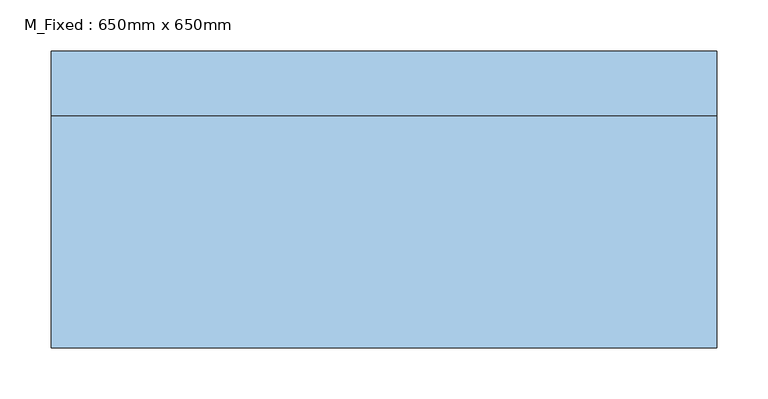
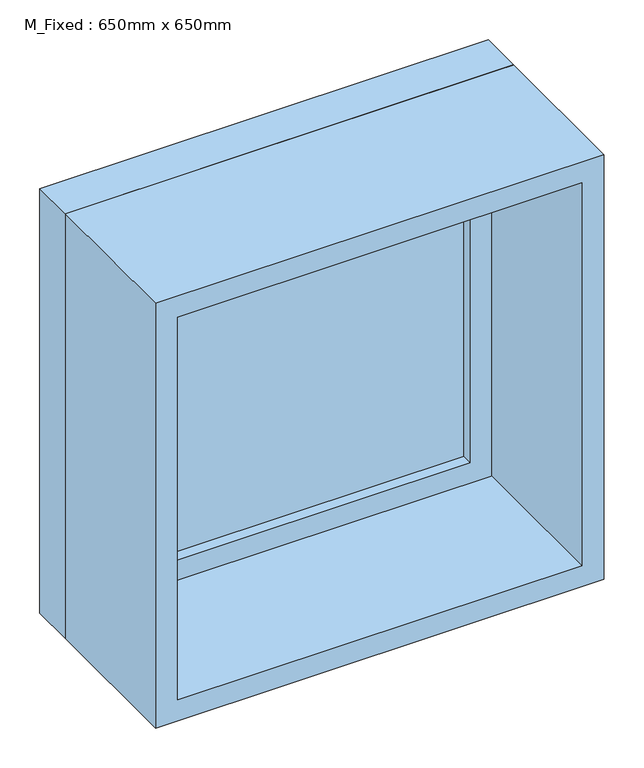
"""IFC4 building model written with IfcOpenShell, lengths in millimetres: window geometry, M_Fixed : 650mm x 650mm."""

from ifc_helpers import new_model, si_unit, frame, origin, place, context, project, spatial, polyline, outline, extrude, source, transform, mapped, element, save


def m_fixed_650mm_x_650mm_b97f806e(model_context):
    return source(origin(), model_context, "Body", "SweptSolid", [
        extrude(outline(polyline([(-262.0, 123.0), (262.0, 123.0), (262.0, 111.0), (-262.0, 111.0), (-262.0, 123.0)])), frame((0.0, 0.0, 163.0), z_axis=(0.0, 0.0, 1.0), x_axis=(1.0, 0.0, 0.0)), (0.0, 0.0, 1.0), 524.0),
        extrude(outline(polyline([(731.0, -306.0), (119.0, -306.0), (119.0, 306.0), (731.0, 306.0), (731.0, -306.0)]), holes=[polyline([(687.0, -262.0), (687.0, 262.0), (163.0, 262.0), (163.0, -262.0), (687.0, -262.0)])]), frame((0.0, 95.0, 0.0), z_axis=(0.0, 1.0, 0.0), x_axis=(0.0, 0.0, 1.0)), (0.0, 0.0, 1.0), 44.0),
        extrude(outline(polyline([(750.0, -325.0), (100.0, -325.0), (100.0, 325.0), (750.0, 325.0), (750.0, -325.0)]), holes=[polyline([(731.0, -306.0), (731.0, 306.0), (119.0, 306.0), (119.0, -306.0), (731.0, -306.0)])]), frame((0.0, 95.0, 0.0), z_axis=(0.0, 1.0, 0.0), x_axis=(0.0, 0.0, 1.0)), (0.0, 0.0, 1.0), 63.0),
        extrude(outline(polyline([(750.0, -325.0), (100.0, -325.0), (100.0, 325.0), (750.0, 325.0), (750.0, -325.0)]), holes=[polyline([(718.0, -293.0), (718.0, 293.0), (132.0, 293.0), (132.0, -293.0), (718.0, -293.0)])]), frame((0.0, -132.0, 0.0), z_axis=(0.0, 1.0, 0.0), x_axis=(0.0, 0.0, 1.0)), (0.0, 0.0, 1.0), 227.0),
    ])


if __name__ == "__main__":
    model = new_model("IFC4")
    model_context = context("Model", 3, world=origin())
    ifc_project = project(units=[si_unit("LENGTHUNIT", "METRE", prefix="MILLI")], contexts=[model_context])
    site = spatial("IfcSite", under=ifc_project)
    building = spatial("IfcBuilding", under=site)
    placement = place(None, origin())
    m_fixed_650mm_x_650mm_shape = m_fixed_650mm_x_650mm_b97f806e(model_context)
    element("IfcWindow", 1, ObjectType="M_Fixed : 650mm x 650mm", at=placement, inside=building, context=model_context, shape_type="MappedRepresentation", body=[
        mapped(m_fixed_650mm_x_650mm_shape, transform((0.0, 0.0, 0.0), x_axis=(1.0, 0.0, 0.0), y_axis=(0.0, 1.0, 0.0), z_axis=(0.0, 0.0, 1.0))),
    ])
    save(model, "model.ifc")
